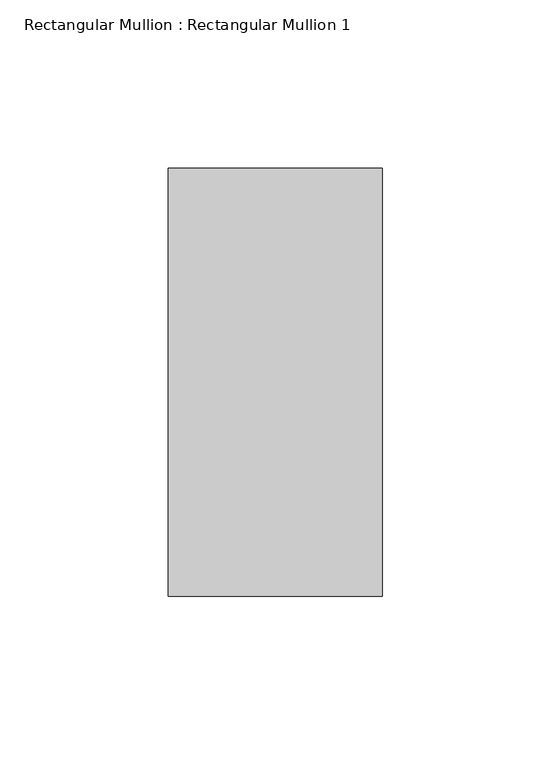
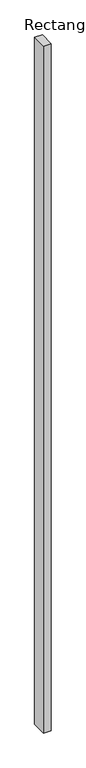
"""IFC4 building model written with IfcOpenShell, lengths in millimetres: member geometry, Rectangular Mullion : Rectangular Mullion 1."""

from ifc_helpers import new_model, si_unit, frame, origin, place, context, project, spatial, polyline, outline, extrude, source, transform, mapped, element, save


def rectangular_mullion_rectangular_mullion_1_ee8d7fb1(model_context):
    return source(origin(), model_context, "Body", "SweptSolid", [
        extrude(outline(polyline([(0.0, 63.5), (0.0, -63.5), (-63.5, -63.5), (-63.5, 63.5), (0.0, 63.5)])), frame((0.0, 0.0, -6037.0334517), z_axis=(0.0, 0.0, 1.0), x_axis=(1.0, 0.0, 0.0)), (0.0, 0.0, 1.0), 6037.0334517),
    ])


if __name__ == "__main__":
    model = new_model("IFC4")
    model_context = context("Model", 3, world=origin())
    ifc_project = project(units=[si_unit("LENGTHUNIT", "METRE", prefix="MILLI")], contexts=[model_context])
    site = spatial("IfcSite", under=ifc_project)
    building = spatial("IfcBuilding", under=site)
    placement = place(None, origin())
    rectangular_mullion_rectangular_mullion_1_shape = rectangular_mullion_rectangular_mullion_1_ee8d7fb1(model_context)
    element("IfcMember", 1, ObjectType="Rectangular Mullion : Rectangular Mullion 1", at=placement, inside=building, context=model_context, shape_type="MappedRepresentation", body=[
        mapped(rectangular_mullion_rectangular_mullion_1_shape, transform((0.0, 0.0, 0.0), x_axis=(1.0, 0.0, 0.0), y_axis=(0.0, 1.0, 0.0), z_axis=(0.0, 0.0, 1.0))),
    ])
    save(model, "model.ifc")
